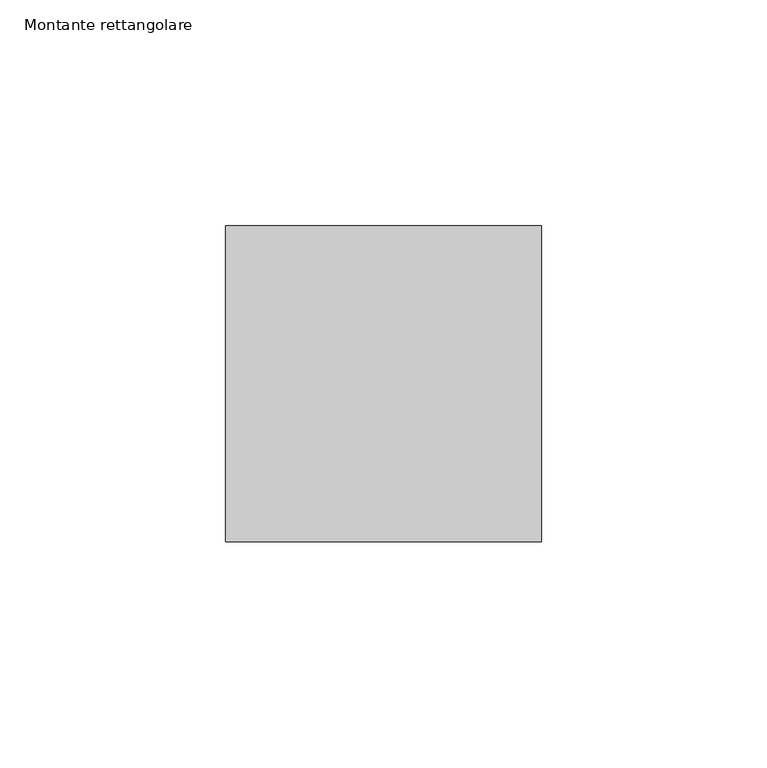
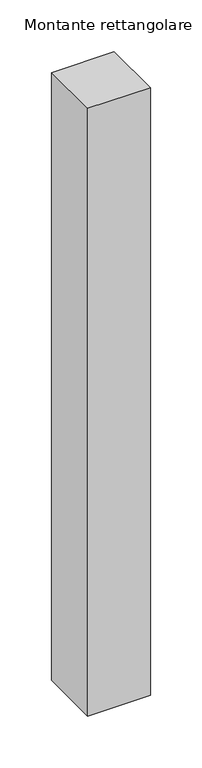
"""IFC4 building model written with IfcOpenShell, lengths in millimetres: member geometry, Montante rettangolare."""

from ifc_helpers import new_model, si_unit, frame, origin, place, context, project, spatial, polyline, outline, extrude, source, transform, mapped, element, save


def montante_rettangolare_132afeaa(model_context):
    return source(origin(), model_context, "Body", "SweptSolid", [
        extrude(outline(polyline([(0.0, 35.0), (0.0, -35.0), (-70.0, -35.0), (-70.0, 35.0), (0.0, 35.0)])), frame((0.0, 0.0, -717.0699651), z_axis=(0.0, 0.0, 1.0), x_axis=(1.0, 0.0, 0.0)), (0.0, 0.0, 1.0), 717.0699651),
    ])


if __name__ == "__main__":
    model = new_model("IFC4")
    model_context = context("Model", 3, world=origin())
    ifc_project = project(units=[si_unit("LENGTHUNIT", "METRE", prefix="MILLI")], contexts=[model_context])
    site = spatial("IfcSite", under=ifc_project)
    building = spatial("IfcBuilding", under=site)
    placement = place(None, origin())
    montante_rettangolare_shape = montante_rettangolare_132afeaa(model_context)
    element("IfcMember", 1, ObjectType="Montante rettangolare", at=placement, inside=building, context=model_context, shape_type="MappedRepresentation", body=[
        mapped(montante_rettangolare_shape, transform((0.0, 0.0, 0.0), x_axis=(1.0, 0.0, 0.0), y_axis=(0.0, 1.0, 0.0), z_axis=(0.0, 0.0, 1.0))),
    ])
    save(model, "model.ifc")
